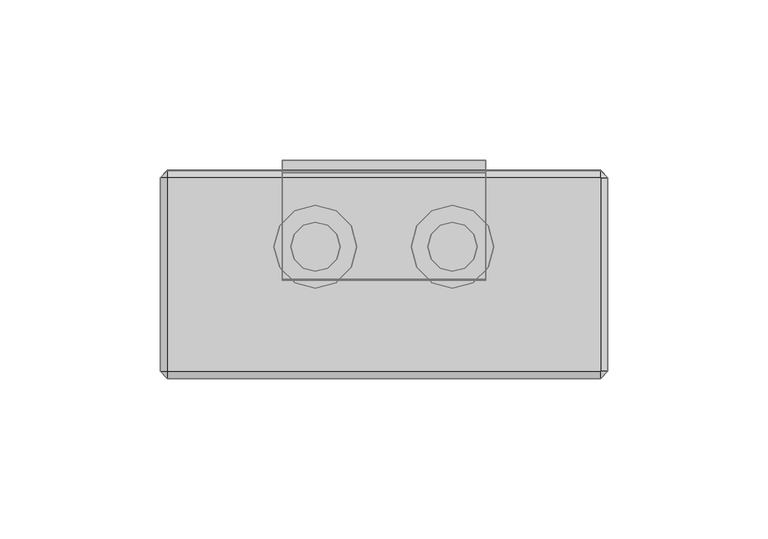
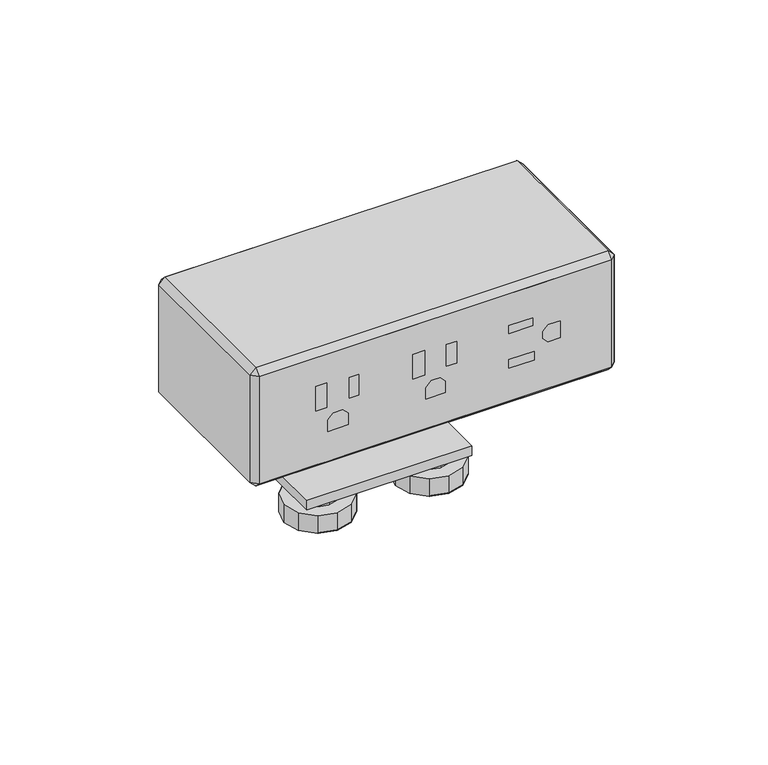
"""IFC4 building model written with IfcOpenShell, lengths in millimetres: furniture geometry."""

import ifcopenshell
import ifcopenshell.guid

model = None  # the IFC model being written
_history = None  # IfcOwnerHistory: only IFC2X3 demands one
_inside = {}  # id of a spatial element -> (the spatial element, [elements in it])
_under = {}  # id of a project, library or spatial element -> (it, [spatial elements below it])
_declared = {}  # id of a project -> (the project, [libraries it declares])
_typed = {}  # id of a type object -> (the type object, [elements of that type])
_made_of = {}  # id of a material, layer set ... -> (it, [elements and type objects made of it])


def new_model(schema):
    """Start an empty IFC model of exactly this schema.

    Asked for "IFC4X3", IfcOpenShell would pick the latest addendum, in which some entities
    have other attributes; the version numbers below select the first issue.
    IFC2X3 requires an IfcOwnerHistory on every rooted entity: one is made here for all.
    """
    global model, _history
    if schema == "IFC4X3":
        model = ifcopenshell.file(schema_version=(4, 3, 0, 0))
    else:
        model = ifcopenshell.file(schema=schema)
    _inside.clear()
    _under.clear()
    _declared.clear()
    _typed.clear()
    _made_of.clear()
    _history = None
    if model.schema == "IFC2X3":
        org = make("IfcOrganization", Name="unknown")
        user = make(
            "IfcPersonAndOrganization",
            ThePerson=make("IfcPerson", FamilyName="unknown"),
            TheOrganization=org,
        )
        app = make(
            "IfcApplication",
            ApplicationDeveloper=org,
            Version="unknown",
            ApplicationFullName="unknown",
            ApplicationIdentifier="unknown",
        )
        _history = make(
            "IfcOwnerHistory",
            OwningUser=user,
            OwningApplication=app,
            ChangeAction="ADDED",
            CreationDate=0,
        )
    return model


def make(cls, **values):
    """One entity of the class cls with the attributes given. An attribute that is None is left unset."""
    return model.create_entity(
        cls, **{name: value for name, value in values.items() if value is not None}
    )


def rooted(cls, **values):
    """An entity with a GlobalId (a new one), such as an element, a storey or a relation."""
    return make(cls, GlobalId=ifcopenshell.guid.new(), OwnerHistory=_history, **values)


def si_unit(unit_type, name, prefix=None):
    """IfcSIUnit, for example si_unit("LENGTHUNIT", "METRE", prefix="MILLI")."""
    return make("IfcSIUnit", UnitType=unit_type, Prefix=prefix, Name=name)


def assignment(units):
    """IfcUnitAssignment: the units of a project."""
    return None if units is None else make("IfcUnitAssignment", Units=units)


def point(xyz):
    """IfcCartesianPoint."""
    return None if xyz is None else make("IfcCartesianPoint", Coordinates=xyz)


def direction(xyz):
    """IfcDirection."""
    return None if xyz is None else make("IfcDirection", DirectionRatios=xyz)


def frame(location, z_axis=None, x_axis=None):
    """IfcAxis2Placement3D, a coordinate frame: its origin and axes. An axis left out is left unset."""
    return make(
        "IfcAxis2Placement3D",
        Location=point(location),
        Axis=direction(z_axis),
        RefDirection=direction(x_axis),
    )


def origin():
    """The frame at (0, 0, 0) with its axes left unset."""
    return frame((0.0, 0.0, 0.0))


def place(relative_to, where):
    """IfcLocalPlacement: puts the frame where relative to a parent placement (None: the world)."""
    return make(
        "IfcLocalPlacement", PlacementRelTo=relative_to, RelativePlacement=where
    )


def context(
    kind, dimensions, precision=None, world=None, true_north=None, identifier=None
):
    """IfcGeometricRepresentationContext, for example the 3D "Model" context."""
    return make(
        "IfcGeometricRepresentationContext",
        ContextIdentifier=identifier,
        ContextType=kind,
        CoordinateSpaceDimension=dimensions,
        Precision=precision,
        WorldCoordinateSystem=world,
        TrueNorth=true_north,
    )


def project(units=None, contexts=None):
    """IfcProject with its units and contexts."""
    return rooted(
        "IfcProject",
        Name="project",
        RepresentationContexts=contexts,
        UnitsInContext=assignment(units),
    )


def spatial(cls, under=None, at=None, **own):
    """A site, building, storey or space (cls), placed at a placement, below another one or the project."""
    s = rooted(cls, ObjectPlacement=at, **own)
    if under is not None:
        _under.setdefault(under.id(), (under, []))[1].append(s)
    return s


def point_list(points):
    """IfcCartesianPointList2D or 3D."""
    cls = (
        "IfcCartesianPointList2D" if len(points[0]) == 2 else "IfcCartesianPointList3D"
    )
    return make(cls, CoordList=points)


def triangles(points, corners, closed=None, point_numbers=None):
    """IfcTriangulatedFaceSet: each triangle names its three corners, points numbered from 1."""
    return make(
        "IfcTriangulatedFaceSet",
        Coordinates=point_list(points),
        Closed=closed,
        CoordIndex=corners,
        PnIndex=point_numbers,
    )


def shape(context_of_items, identifier, shape_type, items):
    """IfcShapeRepresentation: the items that make up one representation, for example the "Body"."""
    return make(
        "IfcShapeRepresentation",
        ContextOfItems=context_of_items,
        RepresentationIdentifier=identifier,
        RepresentationType=shape_type,
        Items=items,
    )


def source(mapping_origin, context_of_items, identifier, shape_type, items):
    """IfcRepresentationMap: a shape defined once, which mapped items show again and again."""
    return make(
        "IfcRepresentationMap",
        MappingOrigin=mapping_origin,
        MappedRepresentation=shape(context_of_items, identifier, shape_type, items),
    )


def transform(
    local_origin,
    x_axis=None,
    y_axis=None,
    z_axis=None,
    scale=None,
    scale2=None,
    scale3=None,
    uniform=True,
):
    """IfcCartesianTransformationOperator3D, or its non-uniform kind. x_axis, y_axis, z_axis: its Axis1, 2, 3."""
    if uniform:
        return make(
            "IfcCartesianTransformationOperator3D",
            Axis1=direction(x_axis),
            Axis2=direction(y_axis),
            LocalOrigin=point(local_origin),
            Scale=scale,
            Axis3=direction(z_axis),
        )
    return make(
        "IfcCartesianTransformationOperator3DnonUniform",
        Axis1=direction(x_axis),
        Axis2=direction(y_axis),
        LocalOrigin=point(local_origin),
        Scale=scale,
        Axis3=direction(z_axis),
        Scale2=scale2,
        Scale3=scale3,
    )


def mapped(mapping_source, mapping_target):
    """IfcMappedItem: shows the shape of a source again, moved by a transform."""
    return make(
        "IfcMappedItem", MappingSource=mapping_source, MappingTarget=mapping_target
    )


def made_of(thing, what):
    """Note that an element or type object is made of a material, layer set ...; save() writes the relation."""
    if what is not None:
        _made_of.setdefault(what.id(), (what, []))[1].append(thing)
    return thing


def element(
    cls,
    number,
    at=None,
    inside=None,
    cuts=None,
    type_object=None,
    material=None,
    context=None,
    identifier="Body",
    shape_type=None,
    held_by="IfcProductDefinitionShape",
    body=None,
    shapes=None,
    **own,
):
    """One element of the class cls, such as IfcWall. Its Tag is "e" and its number.

    at: its placement. inside: the storey or other place that contains it. cuts: it is an
    opening in that element (IfcRelVoidsElement). A single representation is given by context,
    identifier, shape_type and body (its items); several are given by shapes. held_by: the class
    of the entity that holds the representations. save() writes the other relations.
    """
    e = rooted(cls, Tag="e%d" % number, ObjectPlacement=at, **own)
    if body is not None:
        shapes = [shape(context, identifier, shape_type, body)]
    if shapes is not None:
        e.Representation = make(held_by, Representations=shapes)
    if inside is not None:
        _inside.setdefault(inside.id(), (inside, []))[1].append(e)
    if cuts is not None:
        rooted(
            "IfcRelVoidsElement", RelatingBuildingElement=cuts, RelatedOpeningElement=e
        )
    if type_object is not None:
        _typed.setdefault(type_object.id(), (type_object, []))[1].append(e)
    return made_of(e, material)


def aggregate(whole, parts):
    """IfcRelAggregates: a whole, such as a stair, and the parts it consists of."""
    return rooted("IfcRelAggregates", RelatingObject=whole, RelatedObjects=parts)


def save(model, path):
    """Write the relations noted so far, then the file.

    IfcRelAggregates (storeys below a building ...), IfcRelContainedInSpatialStructure (elements
    in a storey), IfcRelDefinesByType, IfcRelAssociatesMaterial and IfcRelDeclares: one each for
    every whole, place, type object, material and project.
    """
    for whole, parts in _under.values():
        aggregate(whole, parts)
    for where, things in _inside.values():
        rooted(
            "IfcRelContainedInSpatialStructure",
            RelatedElements=things,
            RelatingStructure=where,
        )
    for kind, things in _typed.values():
        rooted("IfcRelDefinesByType", RelatedObjects=things, RelatingType=kind)
    for what, things in _made_of.values():
        rooted("IfcRelAssociatesMaterial", RelatedObjects=things, RelatingMaterial=what)
    for by, libraries in _declared.values():
        rooted("IfcRelDeclares", RelatingContext=by, RelatedDefinitions=libraries)
    model.write(path)


def furniture_c2b6130e(model_context):
    return source(origin(), model_context, "Body", "Tessellation", [
        triangles([(-67.6915849, -2.9026881, 772.1260534), (-69.9775828, -2.9026881, 769.8401464), (-69.9775828, -63.3507888, 769.8401464), (-67.6915849, -63.3507888, 772.1260534), (67.6915849, -0.6166801, 769.8401464), (67.6915849, -0.6166733, 726.2638092), (-67.6915849, -0.6166809, 726.2638092), (-67.6915849, -0.6166877, 769.8401464), (67.6915849, -2.9026727, 723.9778296), (67.6915849, -63.3507661, 723.9778296), (-67.6915849, -63.3507798, 723.9778296), (-67.6915849, -2.9026801, 723.9778296), (69.9775828, -2.9026727, 726.2638092), (69.9775828, -2.9026801, 769.8401464), (69.9775828, -63.3507752, 769.8401464), (69.9775828, -63.3507661, 726.2638092), (67.6915849, -63.3507752, 772.1260534), (67.6915849, -2.9026804, 772.1260534), (-69.9775828, -2.9026807, 726.2638092), (-69.9775828, -63.3507798, 726.2638092), (-67.6915849, -65.6367776, 726.2638092), (67.6915849, -65.6367594, 726.2638092), (-67.6915849, -65.6367912, 769.8401464), (67.6915849, -65.6367776, 769.8401464), (10.1785427, -17.942455, 674.0435955), (14.92232, -13.1986754, 674.0435955), (21.4024409, -11.4623329, 674.0435955), (27.8825618, -13.1986743, 674.0435955), (-10.2020855, -30.9027036, 673.9653299), (-14.9458662, -35.6464797, 673.9653299), (-21.4259882, -37.3828177, 673.9653299), (-27.9061069, -35.6464729, 673.9653299), (-8.4657391, -24.4225759, 673.9653299), (-10.2020833, -17.942455, 673.9653299), (-10.2020833, -17.942455, 681.1489758), (-8.4657408, -24.4225759, 681.1489758), (-14.9458605, -13.1986754, 673.9653299), (-14.9458617, -13.1986777, 681.1489758), (-21.4259837, -11.4623341, 673.9653299), (-21.4259837, -11.4623341, 681.1489758), (-27.9061046, -13.1986766, 673.9653299), (-27.9061046, -13.1986788, 681.1489758), (-32.6498853, -17.942455, 673.9653299), (-32.6498853, -17.942455, 681.1489758), (-34.3862255, -24.4225759, 673.9653299), (-34.3862278, -24.4225759, 681.1489758), (-32.6498853, -30.9026922, 673.9653299), (-32.6498853, -30.9026968, 681.1489758), (-27.9061069, -35.6464729, 681.1489758), (-21.4259882, -37.3828177, 681.1489758), (-14.9458685, -35.6464797, 681.1489758), (-10.2020867, -30.9027036, 681.1489758), (-14.7582823, -20.5729766, 681.1489758), (-13.7267852, -24.4225759, 681.1489758), (-17.5763833, -17.7548733, 681.1489758), (-21.4259837, -16.7233797, 681.1489758), (-25.2755807, -17.7548767, 681.1489758), (-28.0936817, -20.5729789, 681.1489758), (-29.1251822, -24.4225781, 681.1489758), (-28.0936863, -28.2721751, 681.1489758), (-25.2755852, -31.0902807, 681.1489758), (-21.4259837, -32.1217766, 681.1489758), (-17.5763867, -31.090283, 681.1489758), (-14.7582845, -28.2721796, 681.1489758), (-14.75828, -20.5729766, 684.376395), (-13.7267852, -24.4225759, 684.376395), (-17.5763833, -17.7548733, 684.376395), (-21.4259837, -16.7233797, 684.376395), (-25.2755807, -17.7548767, 684.3763224), (-28.0936863, -20.5729789, 684.3763224), (-29.1251822, -24.4225781, 684.3763224), (-28.0936863, -28.2721751, 684.3763224), (-25.2755852, -31.0902807, 684.3763224), (-21.4259837, -32.1217766, 684.3763224), (-17.5763867, -31.0902852, 684.3763224), (-14.7582845, -28.2721796, 684.3763224), (31.7463657, 2.6385324, 684.4387459), (31.7463612, 2.6385324, 688.2724508), (31.7463612, -1.3076522, 688.2724508), (31.7463612, -1.3076506, 684.4387459), (-31.747181, 2.6385378, 684.4387459), (-31.7471878, -1.3076467, 684.4387459), (-31.7471856, -1.3076451, 688.2724508), (-31.747181, 2.6385392, 688.2724508), (31.7463612, -34.9836318, 684.4387459), (31.7463567, -34.9836318, 688.2724508), (-31.7471856, -34.9836205, 688.2724508), (-31.7471856, -34.9836205, 684.4387459), (31.7463476, -1.3076431, 760.1348522), (31.7463544, 2.6385415, 760.1348522), (-31.7471878, 2.6385469, 760.1348522), (-31.7471969, -1.307636, 760.1348522), (31.7463612, 2.6385384, 717.2474991), (31.7463612, 2.6385384, 721.2107019), (31.7463544, -1.3076477, 721.2107019), (31.7463567, -1.3076477, 717.2474991), (-31.7471856, 2.6385423, 717.2474991), (-31.7471856, 2.6385423, 721.2107019), (-31.7471878, -1.3076406, 717.2474991), (-31.7471878, -1.3076406, 721.2107019), (31.7463544, -34.6585063, 717.2474991), (31.7463544, -34.6585063, 721.2107019), (-31.7471878, -34.6584995, 721.2107019), (-31.7471878, -34.6584995, 717.2474991), (32.6263357, -30.9027013, 674.0435955), (27.8825573, -35.6464797, 674.0435955), (21.4024364, -37.3828177, 674.0435955), (14.9223166, -35.6464729, 674.0435955), (34.362685, -24.4225759, 674.0435955), (32.6263425, -17.9424527, 674.0435955), (32.6263425, -17.942455, 681.2272413), (34.3626804, -24.4225759, 681.2272413), (27.8825618, -13.1986743, 681.2272413), (21.4024386, -11.4623341, 681.2272413), (14.9223177, -13.1986754, 681.2272413), (10.1785416, -17.942455, 681.2272413), (8.4421991, -24.4225759, 674.0435955), (8.442198, -24.4225759, 681.2272413), (10.1785416, -30.9026945, 674.0435955), (10.1785405, -30.902699, 681.2272413), (14.9223154, -35.6464752, 681.2272413), (21.4024364, -37.3828177, 681.2272413), (27.8825573, -35.6464797, 681.2272413), (32.6263357, -30.9027013, 681.2272413), (28.0701435, -20.5729744, 681.2272413), (29.1016394, -24.4225759, 681.2272413), (25.2520401, -17.754871, 681.2272413), (21.4024409, -16.7233763, 681.2272413), (17.5528417, -17.7548733, 681.2272413), (14.7347395, -20.5729766, 681.2272413), (13.7032424, -24.4225759, 681.2272413), (14.7347372, -28.2721751, 681.2272413), (17.5528394, -31.0902762, 681.2272413), (21.4024386, -32.1217766, 681.2272413), (25.2520379, -31.090283, 681.2272413), (28.0701435, -28.2721819, 681.2272413), (28.0701435, -20.5729744, 684.4545879), (29.1016394, -24.4225759, 684.4545879), (25.2520401, -17.754871, 684.4545879), (21.4024386, -16.7233774, 684.4545879), (17.5528417, -17.7548756, 684.4545879), (14.7347406, -20.5729766, 684.4545879), (13.7032424, -24.4225759, 684.4545879), (14.7347383, -28.2721751, 684.4545879), (17.5528394, -31.0902762, 684.4545879), (21.4024386, -32.1217766, 684.4545879), (25.2520379, -31.090283, 684.4545879), (28.0701435, -28.2721819, 684.4545879), (67.6915849, -65.6367685, 738.2267418), (48.0598481, -65.6367776, 738.2267418), (48.0598481, -65.6367685, 726.2638092), (-46.0302709, -65.6367821, 769.8401464), (-67.6915849, -65.6367821, 758.2923775), (-46.0302709, -65.6367776, 758.2923775), (-41.4813979, -65.6367821, 769.8401464), (-41.4813979, -65.6367776, 758.2923775), (-33.2934234, -65.6367821, 769.8401464), (-33.2934257, -65.6367776, 757.479491), (-29.254017, -65.6367821, 769.8401464), (-29.2540215, -65.6367776, 757.479491), (-8.8954384, -65.6367821, 769.8401464), (-8.8954401, -65.6367776, 758.2923775), (-3.9172839, -65.6367821, 769.8401464), (-3.9172854, -65.6367776, 758.2923775), (3.959694, -65.6367821, 769.8401464), (3.959692, -65.6367776, 757.6832577), (8.4209284, -65.6367821, 769.8401464), (8.4209267, -65.6367776, 757.6832577), (27.9802484, -65.6367821, 769.8401464), (27.9802462, -65.6367776, 757.0657808), (37.5109735, -65.6367821, 769.8401464), (37.5109689, -65.6367776, 757.0657808), (40.9817418, -65.6367821, 769.8401464), (40.9817418, -65.6367776, 758.2923775), (48.0598481, -65.6367821, 769.8401464), (48.0598481, -65.6367776, 758.2923775), (67.6915849, -65.6367685, 758.2923775), (-67.6915849, -65.6367821, 748.0432211), (-46.0302709, -65.6367776, 748.0432211), (-41.4813979, -65.6367776, 748.0432211), (-33.2934257, -65.6367776, 748.8119242), (-29.2540238, -65.6367776, 748.8119242), (-8.8954429, -65.6367776, 748.0432211), (-3.9172865, -65.6367776, 748.0432211), (3.9596906, -65.6367776, 748.7620726), (8.4209238, -65.6367776, 748.7620726), (27.9802416, -65.6367776, 753.6218777), (37.5109689, -65.6367776, 753.6218777), (43.1437238, -65.6367776, 752.1384653), (48.0598481, -65.6367776, 752.1384653), (67.6915849, -65.6367685, 748.0432211), (-67.6915849, -65.6367821, 745.1029936), (-46.0302709, -65.6367776, 745.1029936), (-29.2540238, -65.6367776, 745.1029936), (-8.8954429, -65.6367776, 745.1029936), (8.4209238, -65.6367776, 745.1029936), (27.9802416, -65.6367776, 743.2420607), (38.0696739, -65.6367776, 743.2420607), (40.9817418, -65.6367776, 747.2649982), (40.9817418, -65.6367776, 749.9765333), (67.6915849, -65.6367685, 745.1029936), (48.0598481, -65.6367776, 745.1029936), (-67.6915849, -65.6367821, 738.2267418), (-46.0302709, -65.6367776, 738.2267418), (-41.4813979, -65.6367776, 738.2267418), (-41.4813979, -65.6367776, 742.9409889), (-33.2934257, -65.6367776, 742.9409889), (-33.2934257, -65.6367776, 738.2267418), (-29.2540238, -65.6367776, 738.2267418), (-8.8954446, -65.6367776, 738.2267418), (-3.9172879, -65.6367776, 738.2267418), (-3.9172876, -65.6367776, 742.9409889), (3.9596903, -65.6367776, 742.9409889), (3.9596892, -65.6367776, 738.2267418), (8.4209221, -65.6367776, 738.2267418), (27.9802416, -65.6367776, 739.5278252), (38.0696739, -65.6367776, 739.5278252), (40.9817418, -65.6367776, 738.2267418), (43.1437238, -65.6367776, 745.1029936), (-46.0302754, -65.6367685, 726.2638092), (-41.4813979, -65.6367685, 726.2638092), (-33.2934257, -65.6367685, 726.2638092), (-29.254026, -65.6367685, 726.2638092), (-8.8954474, -65.6367685, 726.2638092), (-3.9172893, -65.6367685, 726.2638092), (3.9596869, -65.6367685, 726.2638092), (8.4209193, -65.6367685, 726.2638092), (27.9802371, -65.6367685, 726.2638092), (37.5109644, -65.6367685, 726.2638092), (40.9817373, -65.6367685, 726.2638092), (-39.3194114, -65.6367776, 745.1029936), (-35.4554099, -65.6367776, 745.1029936), (-1.7553023, -65.6367776, 745.1029936), (1.7977054, -65.6367776, 745.1029936)], [[1, 2, 3], [1, 3, 4], [5, 6, 7], [5, 7, 8], [9, 10, 11], [9, 11, 12], [13, 14, 15], [13, 15, 16], [1, 4, 17], [1, 17, 18], [2, 19, 20], [2, 20, 3], [12, 19, 7], [6, 13, 9], [2, 1, 8], [5, 18, 14], [11, 21, 20], [16, 22, 10], [3, 23, 4], [17, 24, 15], [7, 19, 2], [7, 2, 8], [8, 1, 18], [8, 18, 5], [5, 14, 13], [5, 13, 6], [6, 9, 12], [6, 12, 7], [10, 22, 21], [10, 21, 11], [15, 24, 22], [15, 22, 16], [4, 23, 24], [4, 24, 17], [20, 21, 23], [20, 23, 3], [9, 13, 16], [9, 16, 10], [11, 20, 19], [11, 19, 12], [14, 18, 17], [14, 17, 15], [25, 26, 27], [25, 27, 28], [29, 30, 31], [29, 31, 32], [33, 34, 35], [33, 35, 36], [34, 37, 38], [34, 38, 35], [37, 39, 40], [37, 40, 38], [39, 41, 42], [39, 42, 40], [41, 43, 44], [41, 44, 42], [43, 45, 46], [43, 46, 44], [45, 47, 48], [45, 48, 46], [47, 32, 49], [47, 49, 48], [32, 31, 50], [32, 50, 49], [31, 30, 51], [31, 51, 50], [30, 29, 52], [30, 52, 51], [29, 33, 36], [29, 36, 52], [36, 35, 53], [36, 53, 54], [35, 38, 55], [35, 55, 53], [38, 40, 56], [38, 56, 55], [40, 42, 57], [40, 57, 56], [42, 44, 58], [42, 58, 57], [44, 46, 59], [44, 59, 58], [46, 48, 60], [46, 60, 59], [48, 49, 61], [48, 61, 60], [49, 50, 62], [49, 62, 61], [50, 51, 63], [50, 63, 62], [51, 52, 64], [51, 64, 63], [52, 36, 54], [52, 54, 64], [54, 53, 65], [54, 65, 66], [53, 55, 67], [53, 67, 65], [55, 56, 68], [55, 68, 67], [56, 57, 69], [56, 69, 68], [57, 58, 70], [57, 70, 69], [58, 59, 71], [58, 71, 70], [59, 60, 72], [59, 72, 71], [60, 61, 73], [60, 73, 72], [61, 62, 74], [61, 74, 73], [62, 63, 75], [62, 75, 74], [63, 64, 76], [63, 76, 75], [64, 54, 66], [64, 66, 76], [47, 45, 34], [47, 34, 33], [33, 29, 32], [33, 32, 47], [45, 43, 37], [45, 37, 34], [43, 41, 39], [43, 39, 37], [77, 78, 79], [77, 79, 80], [81, 82, 83], [81, 83, 84], [77, 80, 82], [77, 82, 81], [85, 86, 87], [85, 87, 88], [86, 79, 83], [86, 83, 87], [78, 77, 81], [78, 81, 84], [79, 86, 85], [79, 85, 80], [82, 88, 87], [82, 87, 83], [80, 85, 88], [80, 88, 82], [89, 90, 91], [89, 91, 92], [93, 94, 95], [93, 95, 96], [97, 98, 94], [97, 94, 93], [99, 100, 98], [99, 98, 97], [101, 102, 103], [101, 103, 104], [94, 90, 89], [94, 89, 95], [96, 79, 78], [96, 78, 93], [98, 91, 90], [98, 90, 94], [93, 78, 84], [93, 84, 97], [100, 92, 91], [100, 91, 98], [97, 84, 83], [97, 83, 99], [95, 89, 92], [95, 92, 100], [99, 83, 79], [99, 79, 96], [96, 95, 102], [96, 102, 101], [95, 100, 103], [95, 103, 102], [100, 99, 104], [100, 104, 103], [99, 96, 101], [99, 101, 104], [105, 106, 107], [105, 107, 108], [109, 110, 111], [109, 111, 112], [110, 28, 113], [110, 113, 111], [28, 27, 114], [28, 114, 113], [27, 26, 115], [27, 115, 114], [26, 25, 116], [26, 116, 115], [25, 117, 118], [25, 118, 116], [117, 119, 120], [117, 120, 118], [119, 108, 121], [119, 121, 120], [108, 107, 122], [108, 122, 121], [107, 106, 123], [107, 123, 122], [106, 105, 124], [106, 124, 123], [105, 109, 112], [105, 112, 124], [112, 111, 125], [112, 125, 126], [111, 113, 127], [111, 127, 125], [113, 114, 128], [113, 128, 127], [114, 115, 129], [114, 129, 128], [115, 116, 130], [115, 130, 129], [116, 118, 131], [116, 131, 130], [118, 120, 132], [118, 132, 131], [120, 121, 133], [120, 133, 132], [121, 122, 134], [121, 134, 133], [122, 123, 135], [122, 135, 134], [123, 124, 136], [123, 136, 135], [124, 112, 126], [124, 126, 136], [126, 125, 137], [126, 137, 138], [125, 127, 139], [125, 139, 137], [127, 128, 140], [127, 140, 139], [128, 129, 141], [128, 141, 140], [129, 130, 142], [129, 142, 141], [130, 131, 143], [130, 143, 142], [131, 132, 144], [131, 144, 143], [132, 133, 145], [132, 145, 144], [133, 134, 146], [133, 146, 145], [134, 135, 147], [134, 147, 146], [135, 136, 148], [135, 148, 147], [136, 126, 138], [136, 138, 148], [119, 117, 110], [119, 110, 109], [109, 105, 108], [109, 108, 119], [117, 25, 28], [117, 28, 110], [22, 149, 150], [22, 150, 151], [152, 23, 153], [152, 153, 154], [155, 152, 154], [155, 154, 156], [157, 155, 156], [157, 156, 158], [159, 157, 158], [159, 158, 160], [161, 159, 160], [161, 160, 162], [163, 161, 162], [163, 162, 164], [165, 163, 164], [165, 164, 166], [167, 165, 166], [167, 166, 168], [169, 167, 168], [169, 168, 170], [171, 169, 170], [171, 170, 172], [173, 171, 172], [173, 172, 174], [175, 173, 174], [175, 174, 176], [177, 24, 175], [177, 175, 176], [153, 178, 179], [153, 179, 154], [156, 180, 181], [156, 181, 158], [160, 182, 183], [160, 183, 162], [164, 184, 185], [164, 185, 166], [168, 186, 187], [168, 187, 170], [172, 188, 174], [174, 189, 190], [174, 190, 176], [191, 177, 176], [191, 176, 190], [178, 192, 193], [178, 193, 179], [179, 193, 180], [181, 194, 182], [182, 194, 195], [182, 195, 183], [183, 195, 184], [185, 196, 186], [186, 196, 197], [186, 197, 187], [187, 197, 198], [187, 198, 188], [188, 198, 199], [188, 199, 200], [201, 191, 190], [201, 190, 202], [192, 203, 204], [192, 204, 193], [193, 204, 205], [193, 205, 206], [194, 207, 208], [194, 208, 209], [194, 209, 210], [194, 210, 195], [195, 210, 211], [195, 211, 212], [196, 213, 214], [196, 214, 215], [196, 215, 216], [196, 216, 197], [198, 217, 218], [219, 218, 150], [219, 150, 202], [149, 201, 202], [149, 202, 150], [203, 21, 220], [203, 220, 204], [204, 220, 221], [204, 221, 205], [205, 221, 222], [205, 222, 208], [208, 222, 223], [208, 223, 209], [209, 223, 224], [209, 224, 210], [210, 224, 225], [210, 225, 211], [211, 225, 226], [211, 226, 214], [214, 226, 227], [214, 227, 215], [215, 227, 228], [215, 228, 216], [216, 228, 229], [216, 229, 217], [217, 229, 230], [217, 230, 218], [218, 230, 151], [218, 151, 150], [180, 193, 206], [180, 206, 231], [181, 232, 207], [181, 207, 194], [184, 195, 212], [184, 212, 233], [185, 234, 213], [185, 213, 196], [180, 231, 232], [180, 232, 181], [184, 233, 234], [184, 234, 185], [174, 188, 200], [174, 200, 189], [198, 218, 219], [198, 219, 199]], closed=False),
        triangles([(27.9802416, -65.6367776, 743.2420607), (27.9802416, -65.6367776, 739.5278252), (38.0696739, -65.6367776, 739.5278252), (38.0696739, -65.6367776, 743.2420607), (-46.0302709, -65.6367776, 758.2923775), (-46.0302709, -65.6367776, 748.0432211), (-41.4813979, -65.6367776, 748.0432211), (-41.4813979, -65.6367776, 758.2923775), (-33.2934257, -65.6367776, 757.479491), (-33.2934257, -65.6367776, 748.8119242), (-29.2540238, -65.6367776, 748.8119242), (-29.2540215, -65.6367776, 757.479491), (-8.8954401, -65.6367776, 758.2923775), (-8.8954429, -65.6367776, 748.0432211), (-3.9172865, -65.6367776, 748.0432211), (-3.9172854, -65.6367776, 758.2923775), (3.959692, -65.6367776, 757.6832577), (3.9596906, -65.6367776, 748.7620726), (8.4209238, -65.6367776, 748.7620726), (8.4209267, -65.6367776, 757.6832577), (27.9802462, -65.6367776, 757.0657808), (27.9802416, -65.6367776, 753.6218777), (37.5109689, -65.6367776, 753.6218777), (37.5109689, -65.6367776, 757.0657808), (43.1437238, -65.6367776, 752.1384653), (40.9817418, -65.6367776, 749.9765333), (40.9817418, -65.6367776, 747.2649982), (43.1437238, -65.6367776, 745.1029936), (48.0598481, -65.6367776, 745.1029936), (48.0598481, -65.6367776, 752.1384653), (-39.3194114, -65.6367776, 745.1029936), (-41.4813979, -65.6367776, 742.9409889), (-41.4813979, -65.6367776, 738.2267418), (-33.2934257, -65.6367776, 738.2267418), (-33.2934257, -65.6367776, 742.9409889), (-35.4554099, -65.6367776, 745.1029936), (-1.7553023, -65.6367776, 745.1029936), (-3.9172876, -65.6367776, 742.9409889), (-3.9172879, -65.6367776, 738.2267418), (3.9596892, -65.6367776, 738.2267418), (3.9596903, -65.6367776, 742.9409889), (1.7977054, -65.6367776, 745.1029936)], [[1, 2, 3], [1, 3, 4], [5, 6, 7], [5, 7, 8], [9, 10, 11], [9, 11, 12], [13, 14, 15], [13, 15, 16], [17, 18, 19], [17, 19, 20], [21, 22, 23], [21, 23, 24], [25, 26, 27], [25, 27, 28], [25, 28, 29], [25, 29, 30], [31, 32, 33], [31, 33, 34], [31, 34, 35], [31, 35, 36], [37, 38, 39], [37, 39, 40], [37, 40, 41], [37, 41, 42]], closed=False),
    ])


if __name__ == "__main__":
    model = new_model("IFC4")
    model_context = context("Model", 3, world=origin())
    ifc_project = project(units=[si_unit("LENGTHUNIT", "METRE", prefix="MILLI")], contexts=[model_context])
    site = spatial("IfcSite", under=ifc_project)
    building = spatial("IfcBuilding", under=site)
    placement = place(None, origin())
    furniture_shape = furniture_c2b6130e(model_context)
    element("IfcFurniture", 1, at=placement, inside=building, context=model_context, shape_type="MappedRepresentation", body=[
        mapped(furniture_shape, transform((0.0, 0.0, 0.0), x_axis=(1.0, 0.0, 0.0), y_axis=(0.0, 1.0, 0.0), z_axis=(0.0, 0.0, 1.0))),
    ])
    save(model, "model.ifc")
